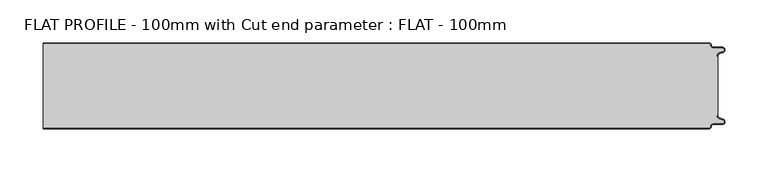
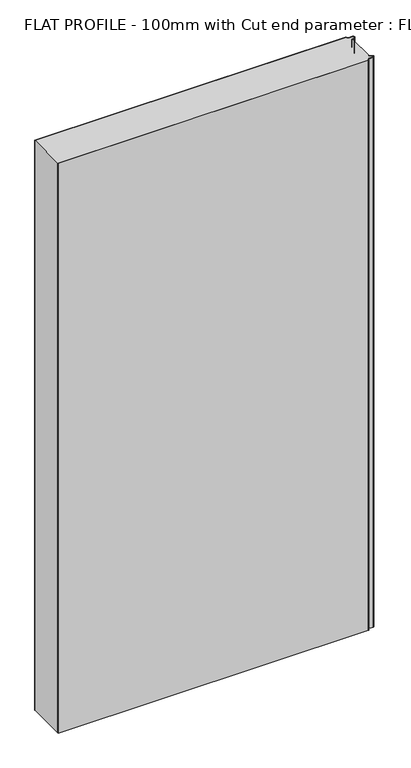
"""IFC4 building model written with IfcOpenShell, lengths in millimetres: proxy geometry, FLAT PROFILE - 100mm with Cut end parameter : FLAT - 100mm."""

from ifc_helpers import new_model, si_unit, point, frame_2d, origin, origin_with_axes, place, context, project, spatial, polyline, circle_curve, trimmed, segment, composite_curve, outline, extrude, source, transform, mapped, element, save


def flat_profile_100mm_with_cut_end_parameter_flat_100mm_fa280c43(model_context):
    return source(origin(), model_context, "Body", "SweptSolid", [
        extrude(outline(composite_curve([segment(trimmed(circle_curve(frame_2d((596.9047345, 47.4926459)), 1.5073578), [point((596.902372, 49.0000019))], [point((598.4115951, 47.4539337))], False, "CARTESIAN"), True, "CONTINUOUS"), segment(trimmed(circle_curve(frame_2d((601.9112919, 47.5000019)), 3.5), [point((598.4115951, 47.4539337))], [point((601.9112919, 44.0000019))], True, "CARTESIAN"), True, "CONTINUOUS"), segment(polyline([(601.9112919, 44.0000019), (612.3116271, 44.0000019)]), True, "CONTINUOUS"), segment(trimmed(circle_curve(frame_2d((612.3116271, 41.9000019)), 2.1), [point((612.3116271, 44.0000019))], [point((613.0435993, 39.9316988))], False, "CARTESIAN"), True, "CONTINUOUS"), segment(polyline([(613.0435993, 39.9316988), (610.7828028, 39.1063001), (607.8546835, 37.9154156)]), True, "CONTINUOUS"), segment(trimmed(circle_curve(frame_2d((608.9399875, 35.2468953)), 2.8807786), [point((607.8546835, 37.9154156))], [point((606.0682599, 35.475074))], True, "CARTESIAN"), True, "CONTINUOUS"), segment(polyline([(606.0682599, 35.475074), (606.0107004, 34.2522232), (607.0118076, 34.2522232), (607.0118076, -34.2522195), (606.0107004, -34.2522195), (606.0682599, -35.4750703)]), True, "CONTINUOUS"), segment(trimmed(circle_curve(frame_2d((608.9399875, -35.2468916)), 2.8807786), [point((606.0682599, -35.4750703))], [point((607.8546835, -37.9154119))], True, "CARTESIAN"), True, "CONTINUOUS"), segment(polyline([(607.8546835, -37.9154119), (610.7828028, -39.1062964), (613.0435993, -39.9316951)]), True, "CONTINUOUS"), segment(trimmed(circle_curve(frame_2d((612.3116271, -41.8999981)), 2.1), [point((613.0435993, -39.9316951))], [point((612.3116271, -43.9999981))], False, "CARTESIAN"), True, "CONTINUOUS"), segment(polyline([(612.3116271, -43.9999981), (601.9112919, -43.9999981)]), True, "CONTINUOUS"), segment(trimmed(circle_curve(frame_2d((601.9112919, -47.4999981)), 3.5), [point((601.9112919, -43.9999981))], [point((598.4115951, -47.45393))], True, "CARTESIAN"), True, "CONTINUOUS"), segment(trimmed(circle_curve(frame_2d((596.9047345, -47.4926422)), 1.5073578), [point((598.4115951, -47.45393))], [point((596.902372, -48.9999981))], False, "CARTESIAN"), True, "CONTINUOUS"), segment(polyline([(596.902372, -48.9999981), (-176.6284281, -48.9999981), (-176.6284281, 49.0000019), (596.902372, 49.0000019)]), True, "CONTINUOUS")], self_intersect=False)), origin_with_axes(), (0.0, 0.0, 1.0), 1500.0),
        extrude(outline(composite_curve([segment(trimmed(circle_curve(frame_2d((596.9047345, 47.4926459)), 2.5073578), [point((596.9016875, 50.0000019))], [point((599.4117582, 47.4517176))], False, "CARTESIAN"), True, "CONTINUOUS"), segment(trimmed(circle_curve(frame_2d((601.9112919, 47.5000019)), 2.5), [point((599.4117582, 47.4517176))], [point((601.9112919, 45.0000019))], True, "CARTESIAN"), True, "CONTINUOUS"), segment(polyline([(601.9112919, 45.0000019), (612.3116271, 45.0000019)]), True, "CONTINUOUS"), segment(trimmed(circle_curve(frame_2d((612.3116271, 41.9000019)), 3.1), [point((612.3116271, 45.0000019))], [point((613.3890842, 38.9932707))], False, "CARTESIAN"), True, "CONTINUOUS"), segment(polyline([(613.3890842, 38.9932707), (611.1427659, 38.1731578), (608.2411829, 37.0549269)]), True, "CONTINUOUS"), segment(trimmed(circle_curve(frame_2d((609.0514567, 35.1592666)), 2.0615701), [point((608.2411829, 37.0549269))], [point((607.0118076, 35.4591051))], True, "CARTESIAN"), True, "CONTINUOUS"), segment(polyline([(607.0118076, 35.4591051), (607.0118076, 34.2522232), (606.0107004, 34.2522232), (606.0682599, 35.475074)]), True, "CONTINUOUS"), segment(trimmed(circle_curve(frame_2d((608.9399875, 35.2468953)), 2.8807786), [point((606.0682599, 35.475074))], [point((607.8546835, 37.9154156))], False, "CARTESIAN"), True, "CONTINUOUS"), segment(polyline([(607.8546835, 37.9154156), (610.7828028, 39.1063001), (613.0435993, 39.9316988)]), True, "CONTINUOUS"), segment(trimmed(circle_curve(frame_2d((612.3116271, 41.9000019)), 2.1), [point((613.0435993, 39.9316988))], [point((612.3116271, 44.0000019))], True, "CARTESIAN"), True, "CONTINUOUS"), segment(polyline([(612.3116271, 44.0000019), (601.9112919, 44.0000019)]), True, "CONTINUOUS"), segment(trimmed(circle_curve(frame_2d((601.9112919, 47.5000019)), 3.5), [point((601.9112919, 44.0000019))], [point((598.4115951, 47.4539337))], False, "CARTESIAN"), True, "CONTINUOUS"), segment(trimmed(circle_curve(frame_2d((596.9047345, 47.4926459)), 1.5073578), [point((598.4115951, 47.4539337))], [point((596.902372, 49.0000019))], True, "CARTESIAN"), True, "CONTINUOUS"), segment(polyline([(596.902372, 49.0000019), (-176.6284281, 49.0000019), (-176.6284281, 50.0000019), (596.9016875, 50.0000019)]), True, "CONTINUOUS")], self_intersect=False)), origin_with_axes(), (0.0, 0.0, 1.0), 1500.0),
        extrude(outline(composite_curve([segment(trimmed(circle_curve(frame_2d((596.9047345, -47.4926422)), 1.5073578), [point((596.902372, -48.9999981))], [point((598.4115951, -47.45393))], True, "CARTESIAN"), True, "CONTINUOUS"), segment(trimmed(circle_curve(frame_2d((601.9112919, -47.4999981)), 3.5), [point((598.4115951, -47.45393))], [point((601.9112919, -43.9999981))], False, "CARTESIAN"), True, "CONTINUOUS"), segment(polyline([(601.9112919, -43.9999981), (612.3116271, -43.9999981)]), True, "CONTINUOUS"), segment(trimmed(circle_curve(frame_2d((612.3116271, -41.8999981)), 2.1), [point((612.3116271, -43.9999981))], [point((613.0435993, -39.9316951))], True, "CARTESIAN"), True, "CONTINUOUS"), segment(polyline([(613.0435993, -39.9316951), (610.7828028, -39.1062964), (607.8546835, -37.9154119)]), True, "CONTINUOUS"), segment(trimmed(circle_curve(frame_2d((608.9399875, -35.2468916)), 2.8807786), [point((607.8546835, -37.9154119))], [point((606.0682599, -35.4750703))], False, "CARTESIAN"), True, "CONTINUOUS"), segment(polyline([(606.0682599, -35.4750703), (606.0107004, -34.2522195), (607.0118076, -34.2522195), (607.0118076, -35.4591014)]), True, "CONTINUOUS"), segment(trimmed(circle_curve(frame_2d((609.0514567, -35.1592629)), 2.0615701), [point((607.0118076, -35.4591014))], [point((608.2411829, -37.0549231))], True, "CARTESIAN"), True, "CONTINUOUS"), segment(polyline([(608.2411829, -37.0549231), (611.1427659, -38.1731541), (613.3890842, -38.993267)]), True, "CONTINUOUS"), segment(trimmed(circle_curve(frame_2d((612.3116271, -41.8999981)), 3.1), [point((613.3890842, -38.993267))], [point((612.3116271, -44.9999981))], False, "CARTESIAN"), True, "CONTINUOUS"), segment(polyline([(612.3116271, -44.9999981), (601.9112919, -44.9999981)]), True, "CONTINUOUS"), segment(trimmed(circle_curve(frame_2d((601.9112919, -47.4999981)), 2.5), [point((601.9112919, -44.9999981))], [point((599.4117582, -47.4517139))], True, "CARTESIAN"), True, "CONTINUOUS"), segment(trimmed(circle_curve(frame_2d((596.9047345, -47.4926422)), 2.5073578), [point((599.4117582, -47.4517139))], [point((596.9016875, -49.9999981))], False, "CARTESIAN"), True, "CONTINUOUS"), segment(polyline([(596.9016875, -49.9999981), (-176.6284281, -49.9999981), (-176.6284281, -48.9999981), (596.902372, -48.9999981)]), True, "CONTINUOUS")], self_intersect=False)), origin_with_axes(), (0.0, 0.0, 1.0), 1500.0),
    ])


if __name__ == "__main__":
    model = new_model("IFC4")
    model_context = context("Model", 3, world=origin())
    ifc_project = project(units=[si_unit("LENGTHUNIT", "METRE", prefix="MILLI")], contexts=[model_context])
    site = spatial("IfcSite", under=ifc_project)
    building = spatial("IfcBuilding", under=site)
    placement = place(None, origin())
    flat_profile_100mm_with_cut_end_parameter_flat_100mm_shape = flat_profile_100mm_with_cut_end_parameter_flat_100mm_fa280c43(model_context)
    element("IfcBuildingElementProxy", 1, Name="FLAT PROFILE - 100mm with Cut end parameter : FLAT - 100mm", ObjectType="FLAT PROFILE - 100mm with Cut end parameter : FLAT - 100mm", at=placement, inside=building, context=model_context, shape_type="MappedRepresentation", body=[
        mapped(flat_profile_100mm_with_cut_end_parameter_flat_100mm_shape, transform((0.0, 0.0, 0.0), x_axis=(1.0, 0.0, 0.0), y_axis=(0.0, 1.0, 0.0), z_axis=(0.0, 0.0, 1.0))),
    ])
    save(model, "model.ifc")
